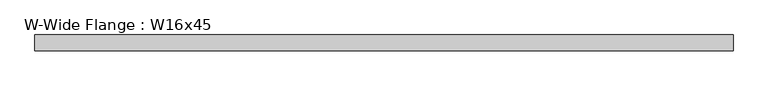
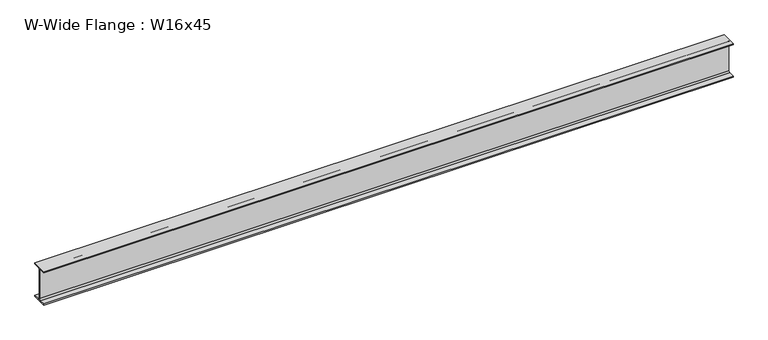
"""IFC4 building model written with IfcOpenShell, lengths in millimetres: beam geometry, W-Wide Flange : W16x45."""

from ifc_helpers import new_model, si_unit, point, frame, frame_2d, origin, place, context, project, spatial, polyline, circle_curve, trimmed, segment, composite_curve, outline, extrude, source, transform, mapped, element, save


def w_wide_flange_w16x45_2de8389a(model_context):
    return source(origin(), model_context, "Body", "SweptSolid", [
        extrude(outline(composite_curve([segment(polyline([(89.408, -190.119), (89.408, -204.47), (-89.408, -204.47), (-89.408, -190.119), (-21.7805, -190.119)]), True, "CONTINUOUS"), segment(trimmed(circle_curve(frame_2d((-21.7805, -172.72)), 17.399), [point((-21.7805, -190.119))], [point((-4.3815, -172.72))], True, "CARTESIAN"), True, "CONTINUOUS"), segment(polyline([(-4.3815, -172.72), (-4.3815, 172.72)]), True, "CONTINUOUS"), segment(trimmed(circle_curve(frame_2d((-21.7805, 172.72)), 17.399), [point((-4.3815, 172.72))], [point((-21.7805, 190.119))], True, "CARTESIAN"), True, "CONTINUOUS"), segment(polyline([(-21.7805, 190.119), (-89.408, 190.119), (-89.408, 204.47), (89.408, 204.47), (89.408, 190.119), (21.7805, 190.119)]), True, "CONTINUOUS"), segment(trimmed(circle_curve(frame_2d((21.7805, 172.72)), 17.399), [point((21.7805, 190.119))], [point((4.3815, 172.72))], True, "CARTESIAN"), True, "CONTINUOUS"), segment(polyline([(4.3815, 172.72), (4.3815, -172.72)]), True, "CONTINUOUS"), segment(trimmed(circle_curve(frame_2d((21.7805, -172.72)), 17.399), [point((4.3815, -172.72))], [point((21.7805, -190.119))], True, "CARTESIAN"), True, "CONTINUOUS"), segment(polyline([(21.7805, -190.119), (89.408, -190.119)]), True, "CONTINUOUS")], self_intersect=False)), frame((-3962.7964165, 0.0, 0.0), z_axis=(1.0, 0.0, 0.0), x_axis=(0.0, 1.0, 0.0)), (0.0, 0.0, 1.0), 7950.2),
    ])


if __name__ == "__main__":
    model = new_model("IFC4")
    model_context = context("Model", 3, world=origin())
    ifc_project = project(units=[si_unit("LENGTHUNIT", "METRE", prefix="MILLI")], contexts=[model_context])
    site = spatial("IfcSite", under=ifc_project)
    building = spatial("IfcBuilding", under=site)
    placement = place(None, origin())
    w_wide_flange_w16x45_shape = w_wide_flange_w16x45_2de8389a(model_context)
    element("IfcBeam", 1, ObjectType="W-Wide Flange : W16x45", at=placement, inside=building, context=model_context, shape_type="MappedRepresentation", body=[
        mapped(w_wide_flange_w16x45_shape, transform((0.0, 0.0, 0.0), x_axis=(1.0, 0.0, 0.0), y_axis=(0.0, 1.0, 0.0), z_axis=(0.0, 0.0, 1.0))),
    ])
    save(model, "model.ifc")
